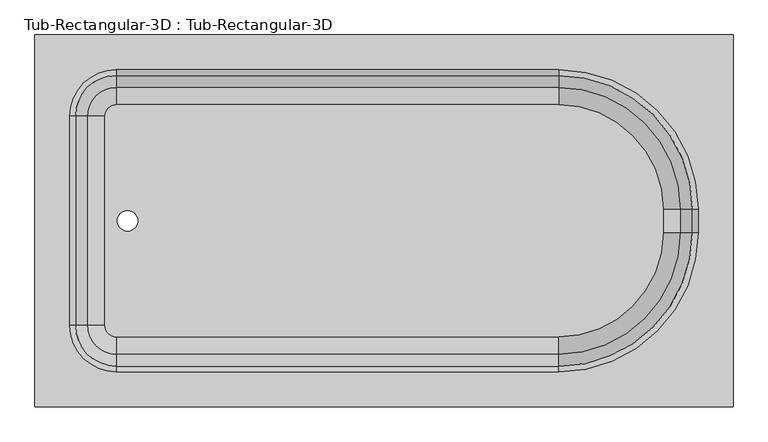
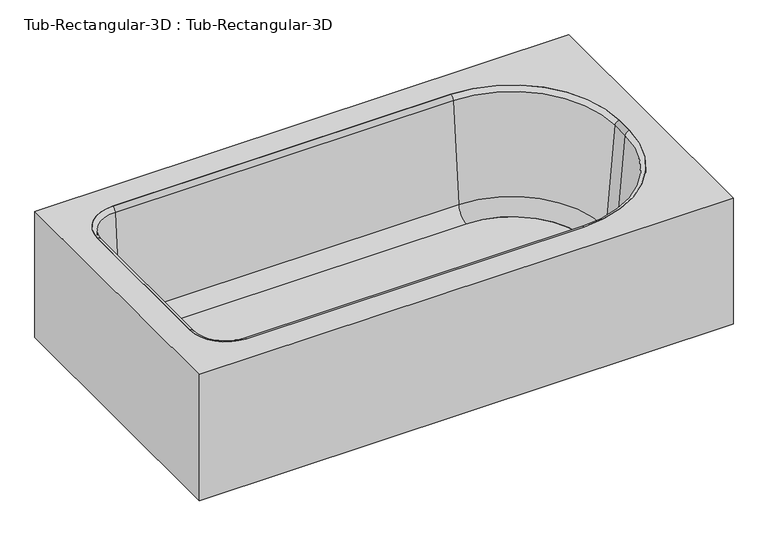
"""IFC4 building model written with IfcOpenShell, lengths in millimetres: flow terminal geometry, Tub-Rectangular-3D : Tub-Rectangular-3D."""

from ifc_helpers import new_model, si_unit, point, frame, frame_2d, origin, place, context, project, spatial, polyline, circle_curve, ellipse_curve, trimmed, segment, composite_curve, outline, extrude, source, transform, mapped, element, save
from ifc_brep_helpers import plane_surface, cylinder_surface, revolved_surface, advanced_brep


def tub_rectangular_3d_tub_rectangular_3d_1b3e3d7a(model_context):
    return source(origin(), model_context, "Body", "SolidModel", [
        advanced_brep(
        [(286.3970313, -882.5440331, 381.0), (286.3970313, -69.85, 381.0), (-1237.6029687, -69.85, 381.0), (-1237.6029687, -882.5440331, 381.0), (-1059.8029687, -806.3440331, 381.0), (-1161.4029687, -704.7440331, 381.0), (-1161.4029687, -247.65, 381.0), (-1059.8029687, -146.05, 381.0), (-94.5499853, -146.05, 381.0), (210.1970313, -450.7970165, 381.0), (210.1970313, -501.5970165, 381.0), (-94.5499853, -806.3440331, 381.0), (267.3470313, -863.4940331, 361.95), (-1218.5529687, -863.4940331, 361.95), (-1218.5529687, -88.9, 361.95), (267.3470313, -88.9, 361.95), (-1059.8029687, -806.3440331, 361.95), (-94.5499853, -806.3440331, 361.95), (210.1970313, -501.5970165, 361.95), (210.1970313, -450.7970165, 361.95), (-94.5499853, -146.05, 361.95), (-1059.8029687, -146.05, 361.95), (-1161.4029687, -247.65, 361.95), (-1161.4029687, -704.7440331, 361.95), (-1237.6029687, -882.5440331, 0.0), (286.3970313, -882.5440331, 0.0), (-1237.6029687, -69.85, 0.0), (286.3970313, -69.85, 0.0), (267.3470313, -863.4940331, 0.0), (267.3470313, -88.9, 0.0), (-1218.5529687, -88.9, 0.0), (-1218.5529687, -863.4940331, 0.0)],
        [
            (0, 1),
            (1, 2),
            (2, 3),
            (3, 0),
            (4, 5, circle_curve(frame((-1059.8029687, -704.7440331, 381.0), z_axis=(0.0, 0.0, -1.0), x_axis=(0.0, -1.0, 0.0)), 101.6)),
            (5, 6),
            (6, 7, circle_curve(frame((-1059.8029687, -247.65, 381.0), z_axis=(0.0, 0.0, -1.0), x_axis=(0.0, -1.0, 0.0)), 101.6)),
            (7, 8),
            (8, 9, circle_curve(frame((-94.5499853, -450.7970165, 381.0), z_axis=(0.0, 0.0, -1.0), x_axis=(0.0, -1.0, 0.0)), 304.7470165)),
            (9, 10),
            (10, 11, circle_curve(frame((-94.5499853, -501.5970165, 381.0), z_axis=(0.0, 0.0, -1.0), x_axis=(0.0, -1.0, 0.0)), 304.7470165)),
            (11, 4),
            (12, 13),
            (13, 14),
            (14, 15),
            (15, 12),
            (16, 17),
            (17, 18, circle_curve(frame((-94.5499853, -501.5970165, 361.95), z_axis=(0.0, 0.0, 1.0), x_axis=(0.0, -1.0, 0.0)), 304.7470165)),
            (18, 19),
            (19, 20, circle_curve(frame((-94.5499853, -450.7970165, 361.95), z_axis=(0.0, 0.0, 1.0), x_axis=(0.0, -1.0, 0.0)), 304.7470165)),
            (20, 21),
            (21, 22, circle_curve(frame((-1059.8029687, -247.65, 361.95), z_axis=(0.0, 0.0, 1.0), x_axis=(0.0, -1.0, 0.0)), 101.6)),
            (22, 23),
            (23, 16, circle_curve(frame((-1059.8029687, -704.7440331, 361.95), z_axis=(0.0, 0.0, 1.0), x_axis=(0.0, -1.0, 0.0)), 101.6)),
            (3, 24),
            (24, 25),
            (25, 0),
            (2, 26),
            (26, 24),
            (1, 27),
            (27, 26),
            (25, 27),
            (11, 17),
            (16, 4),
            (10, 18),
            (9, 19),
            (8, 20),
            (7, 21),
            (6, 22),
            (5, 23),
            (28, 29),
            (29, 30),
            (30, 31),
            (31, 28),
            (28, 12),
            (15, 29),
            (14, 30),
            (13, 31),
        ],
        [
            plane_surface(frame((-1237.6029687, -882.5440331, 381.0), z_axis=(0.0, 0.0, 1.0), x_axis=(-1.0, 0.0, 0.0))),
            plane_surface(frame((-1237.6029687, -882.5440331, 361.95), z_axis=(0.0, 0.0, -1.0), x_axis=(1.0, 0.0, 0.0))),
            plane_surface(frame((286.3970313, -882.5440331, 381.0), z_axis=(0.0, -1.0, 0.0), x_axis=(0.0, 0.0, -1.0))),
            plane_surface(frame((-1237.6029687, -882.5440331, 381.0), z_axis=(-1.0, 0.0, 0.0), x_axis=(0.0, 0.0, -1.0))),
            plane_surface(frame((-1237.6029687, -69.85, 381.0), z_axis=(0.0, 1.0, 0.0), x_axis=(0.0, 0.0, -1.0))),
            plane_surface(frame((286.3970313, -69.85, 381.0), z_axis=(1.0, 0.0, 0.0), x_axis=(0.0, 0.0, -1.0))),
            plane_surface(frame((-1059.8029687, -806.3440331, 381.0), z_axis=(0.0, 1.0, 0.0), x_axis=(0.0, 0.0, -1.0))),
            revolved_surface(polyline([(-94.5499853, -806.344033, 361.95), (-94.5499853, -806.344033, 381.0)]), (-94.5499853, -501.5970165, 381.0), (0.0, 0.0, -1.0)),
            plane_surface(frame((210.1970313, -501.5970165, 381.0), z_axis=(-1.0, 0.0, 0.0), x_axis=(0.0, 0.0, -1.0))),
            revolved_surface(polyline([(-94.5499853, -755.5440329999999, 361.95), (-94.5499853, -755.5440329999999, 381.0)]), (-94.5499853, -450.7970165, 381.0), (0.0, 0.0, -1.0)),
            plane_surface(frame((-94.5499853, -146.05, 381.0), z_axis=(0.0, -1.0, 0.0), x_axis=(0.0, 0.0, -1.0))),
            revolved_surface(polyline([(-1059.8029687, -349.25, 361.95), (-1059.8029687, -349.25, 381.0)]), (-1059.8029687, -247.65, 381.0), (0.0, 0.0, -1.0)),
            plane_surface(frame((-1161.4029687, -247.65, 381.0), z_axis=(1.0, 0.0, 0.0), x_axis=(0.0, 0.0, -1.0))),
            revolved_surface(polyline([(-1059.8029687, -806.3440331, 361.95), (-1059.8029687, -806.3440331, 381.0)]), (-1059.8029687, -704.7440331, 381.0), (0.0, 0.0, -1.0)),
            plane_surface(frame((-1237.6029687, -882.5440331, 0.0), z_axis=(0.0, 0.0, -1.0), x_axis=(1.0, 0.0, 0.0))),
            plane_surface(frame((267.3470313, -863.4940331, 361.95), z_axis=(-1.0, 0.0, 0.0), x_axis=(0.0, 0.0, -1.0))),
            plane_surface(frame((267.3470313, -88.9, 361.95), z_axis=(0.0, -1.0, 0.0), x_axis=(0.0, 0.0, -1.0))),
            plane_surface(frame((-1218.5529687, -88.9, 361.95), z_axis=(1.0, 0.0, 0.0), x_axis=(0.0, 0.0, -1.0))),
            plane_surface(frame((-1218.5529687, -863.4940331, 361.95), z_axis=(0.0, 1.0, 0.0), x_axis=(0.0, 0.0, -1.0))),
        ],
        [
            (0, [[1, 2, 3, 4], [5, 6, 7, 8, 9, 10, 11, 12]]),
            (1, [[13, 14, 15, 16], [17, 18, 19, 20, 21, 22, 23, 24]]),
            (2, [[25, 26, 27, -4]]),
            (3, [[28, 29, -25, -3]]),
            (4, [[30, 31, -28, -2]]),
            (5, [[32, -30, -1, -27]]),
            (6, [[33, -17, 34, -12]]),
            (7, [[35, -18, -33, -11]]),
            (8, [[36, -19, -35, -10]]),
            (9, [[37, -20, -36, -9]]),
            (10, [[38, -21, -37, -8]]),
            (11, [[39, -22, -38, -7]]),
            (12, [[40, -23, -39, -6]]),
            (13, [[-34, -24, -40, -5]]),
            (14, [[-26, -29, -31, -32], [41, 42, 43, 44]]),
            (15, [[45, -16, 46, -41]]),
            (16, [[-46, -15, 47, -42]]),
            (17, [[-47, -14, 48, -43]]),
            (18, [[-48, -13, -45, -44]]),
        ],
    ),
        extrude(outline(composite_curve([segment(polyline([(-94.5499853, -729.7405072), (-1059.8029687, -729.7405072)]), True, "CONTINUOUS"), segment(trimmed(circle_curve(frame_2d((-1059.8029687, -704.7440331)), 24.9964741), [point((-1059.8029687, -729.7405072))], [point((-1084.7994428, -704.7440331))], False, "CARTESIAN"), True, "CONTINUOUS"), segment(polyline([(-1084.7994428, -704.7440331), (-1084.7994428, -247.65)]), True, "CONTINUOUS"), segment(trimmed(circle_curve(frame_2d((-1059.8029687, -247.65)), 24.9964741), [point((-1084.7994428, -247.65))], [point((-1059.8029687, -222.6535259))], False, "CARTESIAN"), True, "CONTINUOUS"), segment(polyline([(-1059.8029687, -222.6535259), (-94.5499853, -222.6535259)]), True, "CONTINUOUS"), segment(trimmed(circle_curve(frame_2d((-94.5499853, -450.7970165)), 228.1434907), [point((-94.5499853, -222.6535259))], [point((133.5935054, -450.7970165))], False, "CARTESIAN"), True, "CONTINUOUS"), segment(polyline([(133.5935054, -450.7970165), (133.5935054, -501.5970165)]), True, "CONTINUOUS"), segment(trimmed(circle_curve(frame_2d((-94.5499853, -501.5970165)), 228.1434907), [point((133.5935054, -501.5970165))], [point((-94.5499853, -729.7405072))], False, "CARTESIAN"), True, "CONTINUOUS")], self_intersect=False), holes=[composite_curve([segment(trimmed(circle_curve(frame_2d((-1035.510206, -476.1970165)), 22.225), [point((-1035.510206, -498.4220165))], [point((-1035.510206, -453.9720165))], True, "CARTESIAN"), True, "CONTINUOUS"), segment(trimmed(circle_curve(frame_2d((-1035.510206, -476.1970165)), 22.225), [point((-1035.510206, -453.9720165))], [point((-1035.510206, -498.4220165))], True, "CARTESIAN"), True, "CONTINUOUS")], self_intersect=False)]), frame((0.0, 0.0, 16.863573), z_axis=(0.0, 0.0, 1.0), x_axis=(1.0, 0.0, 0.0)), (0.0, 0.0, 1.0), 19.05),
        advanced_brep(
        [(-1122.7544608, -704.7440331, 70.6929392), (-1148.9249722, -704.7440331, 369.8232535), (-1059.8029687, -793.8660366, 369.8232535), (-1059.8029687, -767.6955252, 70.6929392), (-1084.7994428, -704.7440331, 35.913573), (-1059.8029687, -729.7405072, 35.913573), (-1084.7994428, -704.7440331, 16.863573), (-1059.8029687, -729.7405072, 16.863573), (-1161.4029687, -704.7440331, 16.863573), (-1059.8029687, -806.3440331, 16.863573), (-1161.4029687, -704.7440331, 381.0), (-1059.8029687, -806.3440331, 381.0), (-1122.7544608, -247.65, 70.6929392), (-1148.9249722, -247.65, 369.8232535), (-1084.7994428, -247.65, 35.913573), (-1084.7994428, -247.65, 16.863573), (-1161.4029687, -247.65, 16.863573), (-1161.4029687, -247.65, 381.0), (-1059.8029687, -184.6985079, 70.6929392), (-1059.8029687, -158.5279965, 369.8232535), (-1059.8029687, -222.6535259, 35.913573), (-1059.8029687, -222.6535259, 16.863573), (-1059.8029687, -146.05, 16.863573), (-1059.8029687, -146.05, 381.0), (-94.5499853, -184.6985079, 70.6929392), (-94.5499853, -158.5279965, 369.8232535), (-94.5499853, -222.6535259, 35.913573), (-94.5499853, -222.6535259, 16.863573), (-94.5499853, -146.05, 16.863573), (-94.5499853, -146.05, 381.0), (171.5485234, -450.7970165, 70.6929392), (197.7190348, -450.7970165, 369.8232535), (133.5935054, -450.7970165, 35.913573), (133.5935054, -450.7970165, 16.863573), (210.1970313, -450.7970165, 16.863573), (210.1970313, -450.7970165, 381.0), (171.5485234, -501.5970165, 70.6929392), (197.7190348, -501.5970165, 369.8232535), (133.5935054, -501.5970165, 35.913573), (133.5935054, -501.5970165, 16.863573), (210.1970313, -501.5970165, 16.863573), (210.1970313, -501.5970165, 381.0), (-94.5499853, -767.6955252, 70.6929392), (-94.5499853, -793.8660366, 369.8232535), (-94.5499853, -729.7405072, 35.913573), (-94.5499853, -729.7405072, 16.863573), (-94.5499853, -806.3440331, 16.863573), (-94.5499853, -806.3440331, 381.0)],
        [
            (0, 1),
            (1, 2, circle_curve(frame((-1059.8029687, -704.7440331, 369.8232535), z_axis=(0.0, 0.0, 1.0), x_axis=(0.0, -1.0, 0.0)), 89.1220035)),
            (2, 3),
            (3, 0, circle_curve(frame((-1059.8029687, -704.7440331, 70.6929392), z_axis=(0.0, 0.0, -1.0), x_axis=(0.0, -1.0, 0.0)), 62.9514921)),
            (4, 0, circle_curve(frame((-1084.7994428, -704.7440331, 74.013573), z_axis=(0.0, 1.0, 0.0), x_axis=(1.0, 0.0, 0.0)), 38.1)),
            (3, 5, circle_curve(frame((-1059.8029687, -729.7405072, 74.013573), z_axis=(1.0, 0.0, 0.0), x_axis=(0.0, 1.0, 0.0)), 38.1)),
            (5, 4, circle_curve(frame((-1059.8029687, -704.7440331, 35.913573), z_axis=(0.0, 0.0, -1.0), x_axis=(0.0, -1.0, 0.0)), 24.9964741)),
            (6, 4),
            (5, 7),
            (7, 6, circle_curve(frame((-1059.8029687, -704.7440331, 16.863573), z_axis=(0.0, 0.0, -1.0), x_axis=(0.0, -1.0, 0.0)), 24.9964741)),
            (8, 6),
            (7, 9),
            (9, 8, circle_curve(frame((-1059.8029687, -704.7440331, 16.863573), z_axis=(0.0, 0.0, -1.0), x_axis=(0.0, -1.0, 0.0)), 101.6)),
            (10, 8),
            (9, 11),
            (11, 10, circle_curve(frame((-1059.8029687, -704.7440331, 381.0), z_axis=(0.0, 0.0, -1.0), x_axis=(0.0, -1.0, 0.0)), 101.6)),
            (1, 10, circle_curve(frame((-1161.4029687, -704.7440331, 368.4462547), z_axis=(0.0, -1.0, 0.0), x_axis=(1.0, 0.0, 0.0)), 12.5537453)),
            (11, 2, circle_curve(frame((-1059.8029687, -806.3440331, 368.4462547), z_axis=(-1.0, 0.0, 0.0), x_axis=(0.0, 1.0, 0.0)), 12.5537453)),
            (0, 12),
            (12, 13),
            (13, 1),
            (4, 14),
            (14, 12, circle_curve(frame((-1084.7994428, -247.65, 74.013573), z_axis=(0.0, 1.0, 0.0), x_axis=(1.0, 0.0, 0.0)), 38.1)),
            (6, 15),
            (15, 14),
            (8, 16),
            (16, 15),
            (10, 17),
            (17, 16),
            (13, 17, circle_curve(frame((-1161.4029687, -247.65, 368.4462547), z_axis=(0.0, -1.0, 0.0), x_axis=(1.0, 0.0, 0.0)), 12.5537453)),
            (18, 19),
            (19, 13, circle_curve(frame((-1059.8029687, -247.65, 369.8232535), z_axis=(0.0, 0.0, 1.0), x_axis=(-1.0, 0.0, 0.0)), 89.1220035)),
            (12, 18, circle_curve(frame((-1059.8029687, -247.65, 70.6929392), z_axis=(0.0, 0.0, -1.0), x_axis=(-1.0, 0.0, 0.0)), 62.9514921)),
            (20, 18, circle_curve(frame((-1059.8029687, -222.6535259, 74.013573), z_axis=(1.0, 0.0, 0.0), x_axis=(0.0, -1.0, 0.0)), 38.1)),
            (14, 20, circle_curve(frame((-1059.8029687, -247.65, 35.913573), z_axis=(0.0, 0.0, -1.0), x_axis=(-1.0, 0.0, 0.0)), 24.9964741)),
            (21, 20),
            (15, 21, circle_curve(frame((-1059.8029687, -247.65, 16.863573), z_axis=(0.0, 0.0, -1.0), x_axis=(-1.0, 0.0, 0.0)), 24.9964741)),
            (22, 21),
            (16, 22, circle_curve(frame((-1059.8029687, -247.65, 16.863573), z_axis=(0.0, 0.0, -1.0), x_axis=(-1.0, 0.0, 0.0)), 101.6)),
            (23, 22),
            (17, 23, circle_curve(frame((-1059.8029687, -247.65, 381.0), z_axis=(0.0, 0.0, -1.0), x_axis=(-1.0, 0.0, 0.0)), 101.6)),
            (19, 23, circle_curve(frame((-1059.8029687, -146.05, 368.4462547), z_axis=(-1.0, 0.0, 0.0), x_axis=(0.0, -1.0, 0.0)), 12.5537453)),
            (18, 24),
            (24, 25),
            (25, 19),
            (20, 26),
            (26, 24, circle_curve(frame((-94.5499853, -222.6535259, 74.013573), z_axis=(1.0, 0.0, 0.0), x_axis=(0.0, -1.0, 0.0)), 38.1)),
            (21, 27),
            (27, 26),
            (22, 28),
            (28, 27),
            (23, 29),
            (29, 28),
            (25, 29, circle_curve(frame((-94.5499853, -146.05, 368.4462547), z_axis=(-1.0, 0.0, 0.0), x_axis=(0.0, -1.0, 0.0)), 12.5537453)),
            (30, 31),
            (31, 25, circle_curve(frame((-94.5499853, -450.7970165, 369.8232535), z_axis=(0.0, 0.0, 1.0), x_axis=(0.0, 1.0, 0.0)), 292.2690201)),
            (24, 30, circle_curve(frame((-94.5499853, -450.7970165, 70.6929392), z_axis=(0.0, 0.0, -1.0), x_axis=(0.0, 1.0, 0.0)), 266.0985087)),
            (32, 30, circle_curve(frame((133.5935054, -450.7970165, 74.013573), z_axis=(0.0, -1.0, 0.0), x_axis=(-1.0, 0.0, 0.0)), 38.1)),
            (26, 32, circle_curve(frame((-94.5499853, -450.7970165, 35.913573), z_axis=(0.0, 0.0, -1.0), x_axis=(0.0, 1.0, 0.0)), 228.1434907)),
            (33, 32),
            (27, 33, circle_curve(frame((-94.5499853, -450.7970165, 16.863573), z_axis=(0.0, 0.0, -1.0), x_axis=(0.0, 1.0, 0.0)), 228.1434907)),
            (34, 33),
            (28, 34, circle_curve(frame((-94.5499853, -450.7970165, 16.863573), z_axis=(0.0, 0.0, -1.0), x_axis=(0.0, 1.0, 0.0)), 304.7470165)),
            (35, 34),
            (29, 35, circle_curve(frame((-94.5499853, -450.7970165, 381.0), z_axis=(0.0, 0.0, -1.0), x_axis=(0.0, 1.0, 0.0)), 304.7470165)),
            (31, 35, circle_curve(frame((210.1970313, -450.7970165, 368.4462547), z_axis=(0.0, 1.0, 0.0), x_axis=(-1.0, 0.0, 0.0)), 12.5537453)),
            (30, 36),
            (36, 37),
            (37, 31),
            (32, 38),
            (38, 36, circle_curve(frame((133.5935054, -501.5970165, 74.013573), z_axis=(0.0, -1.0, 0.0), x_axis=(-1.0, 0.0, 0.0)), 38.1)),
            (33, 39),
            (39, 38),
            (34, 40),
            (40, 39),
            (35, 41),
            (41, 40),
            (37, 41, circle_curve(frame((210.1970313, -501.5970165, 368.4462547), z_axis=(0.0, 1.0, 0.0), x_axis=(-1.0, 0.0, 0.0)), 12.5537453)),
            (42, 43),
            (43, 37, circle_curve(frame((-94.5499853, -501.5970165, 369.8232535), z_axis=(0.0, 0.0, 1.0), x_axis=(1.0, 0.0, 0.0)), 292.2690201)),
            (36, 42, circle_curve(frame((-94.5499853, -501.5970165, 70.6929392), z_axis=(0.0, 0.0, -1.0), x_axis=(1.0, 0.0, 0.0)), 266.0985087)),
            (44, 42, circle_curve(frame((-94.5499853, -729.7405072, 74.013573), z_axis=(-1.0, 0.0, 0.0), x_axis=(0.0, 1.0, 0.0)), 38.1)),
            (38, 44, circle_curve(frame((-94.5499853, -501.5970165, 35.913573), z_axis=(0.0, 0.0, -1.0), x_axis=(1.0, 0.0, 0.0)), 228.1434907)),
            (45, 44),
            (39, 45, circle_curve(frame((-94.5499853, -501.5970165, 16.863573), z_axis=(0.0, 0.0, -1.0), x_axis=(1.0, 0.0, 0.0)), 228.1434907)),
            (46, 45),
            (40, 46, circle_curve(frame((-94.5499853, -501.5970165, 16.863573), z_axis=(0.0, 0.0, -1.0), x_axis=(1.0, 0.0, 0.0)), 304.7470165)),
            (47, 46),
            (41, 47, circle_curve(frame((-94.5499853, -501.5970165, 381.0), z_axis=(0.0, 0.0, -1.0), x_axis=(1.0, 0.0, 0.0)), 304.7470165)),
            (43, 47, circle_curve(frame((-94.5499853, -806.3440331, 368.4462547), z_axis=(1.0, 0.0, 0.0), x_axis=(0.0, 1.0, 0.0)), 12.5537453)),
            (42, 3),
            (2, 43),
            (44, 5),
            (45, 7),
            (46, 9),
            (47, 11),
        ],
        [
            revolved_surface(polyline([(-1059.8029687, -793.8660366, 369.8232535), (-1059.8029687, -767.6955252, 70.6929392)]), (-1059.8029687, -704.7440331, 381.0), (0.0, 0.0, 1.0)),
            revolved_surface(trimmed(ellipse_curve(frame((-1059.8029687, -729.7405072, 74.013573), z_axis=(1.0, 0.0, 0.0), x_axis=(0.0, 1.0, 0.0)), 38.1, 38.1), [point((-1059.8029687, -767.6955252, 70.6929392))], [point((-1059.8029687, -729.7405072, 35.913573))], True, "CARTESIAN"), (-1059.8029687, -704.7440331, 381.0), (0.0, 0.0, 1.0)),
            revolved_surface(polyline([(-1059.8029687, -729.7405072, 35.913572999999985), (-1059.8029687, -729.7405072, 16.863572999999974)]), (-1059.8029687, -704.7440331, 381.0), (0.0, 0.0, 1.0)),
            plane_surface(frame((-1059.8029687, -704.7440331, 16.863573), z_axis=(0.0, 0.0, -1.0), x_axis=(0.0, -1.0, 0.0))),
            cylinder_surface(frame((-1059.8029687, -704.7440331, 381.0), z_axis=(0.0, 0.0, 1.0), x_axis=(0.0, -1.0, 0.0)), 101.6),
            revolved_surface(trimmed(ellipse_curve(frame((-1059.8029687, -806.3440331, 368.4462547), z_axis=(-1.0, 0.0, 0.0), x_axis=(0.0, 1.0, 0.0)), 12.5537453, 12.5537453), [point((-1059.8029687, -806.3440331, 381.0))], [point((-1059.8029687, -793.8660366, 369.8232535))], True, "CARTESIAN"), (-1059.8029687, -704.7440331, 381.0), (0.0, 0.0, 1.0)),
            plane_surface(frame((-1148.9249722, -704.7440331, 369.8232535), z_axis=(0.9961946980917458, 0.0, 0.08715574274765597), x_axis=(0.0, 1.0, 0.0))),
            revolved_surface(polyline([(-1046.6994428, -247.64999999999998, 74.013573), (-1046.6994428, -704.7440331, 74.013573)]), (-1084.7994428, -704.7440331, 74.013573), (0.0, 1.0, 0.0)),
            plane_surface(frame((-1084.7994428, -704.7440331, 35.913573), z_axis=(1.0, 0.0, 0.0), x_axis=(0.0, 1.0, 0.0))),
            plane_surface(frame((-1084.7994428, -704.7440331, 16.863573), z_axis=(0.0, 0.0, -1.0), x_axis=(0.0, 1.0, 0.0))),
            plane_surface(frame((-1161.4029687, -704.7440331, 16.863573), z_axis=(-1.0, 0.0, 0.0), x_axis=(0.0, 1.0, 0.0))),
            cylinder_surface(frame((-1161.4029687, -704.7440331, 368.4462547), z_axis=(0.0, -1.0, 0.0), x_axis=(1.0, 0.0, 0.0)), 12.5537453),
            revolved_surface(polyline([(-1148.9249722, -247.65, 369.8232535), (-1122.7544608, -247.65, 70.6929392)]), (-1059.8029687, -247.65, 381.0), (0.0, 0.0, 1.0)),
            revolved_surface(trimmed(ellipse_curve(frame((-1084.7994428, -247.65, 74.013573), z_axis=(0.0, -1.0, 0.0), x_axis=(1.0, 0.0, 0.0)), 38.1, 38.1), [point((-1122.7544608, -247.65, 70.6929392))], [point((-1084.7994428, -247.65, 35.913573))], True, "CARTESIAN"), (-1059.8029687, -247.65, 381.0), (0.0, 0.0, 1.0)),
            revolved_surface(polyline([(-1084.7994428000002, -247.65, 35.913572999999985), (-1084.7994428000002, -247.65, 16.863572999999974)]), (-1059.8029687, -247.65, 381.0), (0.0, 0.0, 1.0)),
            plane_surface(frame((-1059.8029687, -247.65, 16.863573), z_axis=(0.0, 0.0, -1.0), x_axis=(-1.0, 0.0, 0.0))),
            cylinder_surface(frame((-1059.8029687, -247.65, 381.0), z_axis=(0.0, 0.0, 1.0), x_axis=(-1.0, 0.0, 0.0)), 101.6),
            revolved_surface(trimmed(ellipse_curve(frame((-1161.4029687, -247.65, 368.4462547), z_axis=(0.0, 1.0, 0.0), x_axis=(1.0, 0.0, 0.0)), 12.5537453, 12.5537453), [point((-1161.4029687, -247.65, 381.0))], [point((-1148.9249722, -247.65, 369.8232535))], True, "CARTESIAN"), (-1059.8029687, -247.65, 381.0), (0.0, 0.0, 1.0)),
            plane_surface(frame((-1059.8029687, -158.5279965, 369.8232535), z_axis=(0.0, -0.9961946980917461, 0.08715574274765274), x_axis=(1.0, 0.0, 0.0))),
            revolved_surface(polyline([(-94.5499853, -260.7535259, 74.013573), (-1059.8029687, -260.7535259, 74.013573)]), (-1059.8029687, -222.6535259, 74.013573), (1.0, 0.0, 0.0)),
            plane_surface(frame((-1059.8029687, -222.6535259, 35.913573), z_axis=(0.0, -1.0, 0.0), x_axis=(1.0, 0.0, 0.0))),
            plane_surface(frame((-1059.8029687, -222.6535259, 16.863573), z_axis=(0.0, 0.0, -1.0), x_axis=(1.0, 0.0, 0.0))),
            plane_surface(frame((-1059.8029687, -146.05, 16.863573), z_axis=(0.0, 1.0, 0.0), x_axis=(1.0, 0.0, 0.0))),
            cylinder_surface(frame((-1059.8029687, -146.05, 368.4462547), z_axis=(-1.0, 0.0, 0.0), x_axis=(0.0, -1.0, 0.0)), 12.5537453),
            revolved_surface(polyline([(-94.5499853, -158.5279965, 369.8232535), (-94.5499853, -184.6985079, 70.6929392)]), (-94.5499853, -450.7970165, 381.0), (0.0, 0.0, 1.0)),
            revolved_surface(trimmed(ellipse_curve(frame((-94.5499853, -222.6535259, 74.013573), z_axis=(-1.0, 0.0, 0.0), x_axis=(0.0, -1.0, 0.0)), 38.1, 38.1), [point((-94.5499853, -184.6985079, 70.6929392))], [point((-94.5499853, -222.6535259, 35.913573))], True, "CARTESIAN"), (-94.5499853, -450.7970165, 381.0), (0.0, 0.0, 1.0)),
            revolved_surface(polyline([(-94.5499853, -222.65352579999998, 35.913572999999985), (-94.5499853, -222.65352579999998, 16.863572999999974)]), (-94.5499853, -450.7970165, 381.0), (0.0, 0.0, 1.0)),
            plane_surface(frame((-94.5499853, -450.7970165, 16.863573), z_axis=(0.0, 0.0, -1.0), x_axis=(0.0, 1.0, 0.0))),
            cylinder_surface(frame((-94.5499853, -450.7970165, 381.0), z_axis=(0.0, 0.0, 1.0), x_axis=(0.0, 1.0, 0.0)), 304.7470165),
            revolved_surface(trimmed(ellipse_curve(frame((-94.5499853, -146.05, 368.4462547), z_axis=(1.0, 0.0, 0.0), x_axis=(0.0, -1.0, 0.0)), 12.5537453, 12.5537453), [point((-94.5499853, -146.05, 381.0))], [point((-94.5499853, -158.5279965, 369.8232535))], True, "CARTESIAN"), (-94.5499853, -450.7970165, 381.0), (0.0, 0.0, 1.0)),
            plane_surface(frame((197.7190348, -450.7970165, 369.8232535), z_axis=(-0.9961946980917464, 0.0, 0.0871557427476495), x_axis=(0.0, -1.0, 0.0))),
            revolved_surface(polyline([(95.4935054, -501.5970165, 74.013573), (95.4935054, -450.7970165, 74.013573)]), (133.5935054, -450.7970165, 74.013573), (0.0, -1.0, 0.0)),
            plane_surface(frame((133.5935054, -450.7970165, 35.913573), z_axis=(-1.0, 0.0, 0.0), x_axis=(0.0, -1.0, 0.0))),
            plane_surface(frame((133.5935054, -450.7970165, 16.863573), z_axis=(0.0, 0.0, -1.0), x_axis=(0.0, -1.0, 0.0))),
            plane_surface(frame((210.1970313, -450.7970165, 16.863573), z_axis=(1.0, 0.0, 0.0), x_axis=(0.0, -1.0, 0.0))),
            cylinder_surface(frame((210.1970313, -450.7970165, 368.4462547), z_axis=(0.0, 1.0, 0.0), x_axis=(-1.0, 0.0, 0.0)), 12.5537453),
            revolved_surface(polyline([(197.7190348, -501.5970165, 369.8232535), (171.5485234, -501.5970165, 70.6929392)]), (-94.5499853, -501.5970165, 381.0), (0.0, 0.0, 1.0)),
            revolved_surface(trimmed(ellipse_curve(frame((133.5935054, -501.5970165, 74.013573), z_axis=(0.0, 1.0, 0.0), x_axis=(-1.0, 0.0, 0.0)), 38.1, 38.1), [point((171.5485234, -501.5970165, 70.6929392))], [point((133.5935054, -501.5970165, 35.913573))], True, "CARTESIAN"), (-94.5499853, -501.5970165, 381.0), (0.0, 0.0, 1.0)),
            revolved_surface(polyline([(133.5935054, -501.5970165, 35.913572999999985), (133.5935054, -501.5970165, 16.863572999999974)]), (-94.5499853, -501.5970165, 381.0), (0.0, 0.0, 1.0)),
            plane_surface(frame((-94.5499853, -501.5970165, 16.863573), z_axis=(0.0, 0.0, -1.0), x_axis=(1.0, 0.0, 0.0))),
            cylinder_surface(frame((-94.5499853, -501.5970165, 381.0), z_axis=(0.0, 0.0, 1.0), x_axis=(1.0, 0.0, 0.0)), 304.7470165),
            revolved_surface(trimmed(ellipse_curve(frame((210.1970313, -501.5970165, 368.4462547), z_axis=(0.0, -1.0, 0.0), x_axis=(-1.0, 0.0, 0.0)), 12.5537453, 12.5537453), [point((210.1970313, -501.5970165, 381.0))], [point((197.7190348, -501.5970165, 369.8232535))], True, "CARTESIAN"), (-94.5499853, -501.5970165, 381.0), (0.0, 0.0, 1.0)),
            plane_surface(frame((-94.5499853, -793.8660366, 369.8232535), z_axis=(0.0, 0.9961946980917461, 0.08715574274765274), x_axis=(-1.0, 0.0, 0.0))),
            revolved_surface(polyline([(-1059.8029687, -691.6405072, 74.013573), (-94.5499853, -691.6405072, 74.013573)]), (-94.5499853, -729.7405072, 74.013573), (-1.0, 0.0, 0.0)),
            plane_surface(frame((-94.5499853, -729.7405072, 35.913573), z_axis=(0.0, 1.0, 0.0), x_axis=(-1.0, 0.0, 0.0))),
            plane_surface(frame((-94.5499853, -729.7405072, 16.863573), z_axis=(0.0, 0.0, -1.0), x_axis=(-1.0, 0.0, 0.0))),
            plane_surface(frame((-94.5499853, -806.3440331, 16.863573), z_axis=(0.0, -1.0, 0.0), x_axis=(-1.0, 0.0, 0.0))),
            cylinder_surface(frame((-94.5499853, -806.3440331, 368.4462547), z_axis=(1.0, 0.0, 0.0), x_axis=(0.0, 1.0, 0.0)), 12.5537453),
        ],
        [
            (0, [[1, 2, 3, 4]]),
            (1, [[5, -4, 6, 7]]),
            (2, [[8, -7, 9, 10]]),
            (3, [[11, -10, 12, 13]]),
            (4, [[14, -13, 15, 16]]),
            (5, [[17, -16, 18, -2]]),
            (6, [[19, 20, 21, -1]]),
            (7, [[22, 23, -19, -5]]),
            (8, [[24, 25, -22, -8]]),
            (9, [[26, 27, -24, -11]]),
            (10, [[28, 29, -26, -14]]),
            (11, [[-21, 30, -28, -17]]),
            (12, [[31, 32, -20, 33]]),
            (13, [[34, -33, -23, 35]]),
            (14, [[36, -35, -25, 37]]),
            (15, [[38, -37, -27, 39]]),
            (16, [[40, -39, -29, 41]]),
            (17, [[42, -41, -30, -32]]),
            (18, [[43, 44, 45, -31]]),
            (19, [[46, 47, -43, -34]]),
            (20, [[48, 49, -46, -36]]),
            (21, [[50, 51, -48, -38]]),
            (22, [[52, 53, -50, -40]]),
            (23, [[-45, 54, -52, -42]]),
            (24, [[55, 56, -44, 57]]),
            (25, [[58, -57, -47, 59]]),
            (26, [[60, -59, -49, 61]]),
            (27, [[62, -61, -51, 63]]),
            (28, [[64, -63, -53, 65]]),
            (29, [[66, -65, -54, -56]]),
            (30, [[67, 68, 69, -55]]),
            (31, [[70, 71, -67, -58]]),
            (32, [[72, 73, -70, -60]]),
            (33, [[74, 75, -72, -62]]),
            (34, [[76, 77, -74, -64]]),
            (35, [[-69, 78, -76, -66]]),
            (36, [[79, 80, -68, 81]]),
            (37, [[82, -81, -71, 83]]),
            (38, [[84, -83, -73, 85]]),
            (39, [[86, -85, -75, 87]]),
            (40, [[88, -87, -77, 89]]),
            (41, [[90, -89, -78, -80]]),
            (42, [[91, -3, 92, -79]]),
            (43, [[93, -6, -91, -82]]),
            (44, [[94, -9, -93, -84]]),
            (45, [[95, -12, -94, -86]]),
            (46, [[96, -15, -95, -88]]),
            (47, [[-92, -18, -96, -90]]),
        ],
    ),
    ])


if __name__ == "__main__":
    model = new_model("IFC4")
    model_context = context("Model", 3, world=origin())
    ifc_project = project(units=[si_unit("LENGTHUNIT", "METRE", prefix="MILLI")], contexts=[model_context])
    site = spatial("IfcSite", under=ifc_project)
    building = spatial("IfcBuilding", under=site)
    placement = place(None, origin())
    tub_rectangular_3d_tub_rectangular_3d_shape = tub_rectangular_3d_tub_rectangular_3d_1b3e3d7a(model_context)
    element("IfcFlowTerminal", 1, ObjectType="Tub-Rectangular-3D : Tub-Rectangular-3D", at=placement, inside=building, context=model_context, shape_type="MappedRepresentation", body=[
        mapped(tub_rectangular_3d_tub_rectangular_3d_shape, transform((0.0, 0.0, 0.0), x_axis=(1.0, 0.0, 0.0), y_axis=(0.0, 1.0, 0.0), z_axis=(0.0, 0.0, 1.0))),
    ])
    save(model, "model.ifc")
